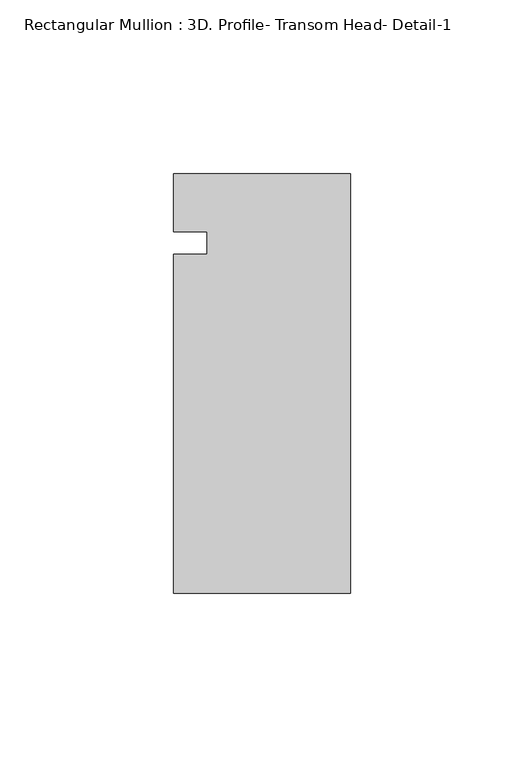
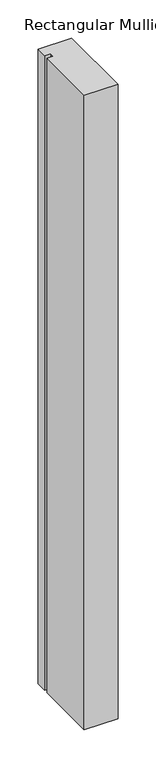
"""IFC4 building model written with IfcOpenShell, lengths in millimetres: member geometry, Rectangular Mullion : 3D. Profile- Transom Head- Detail-1."""

from ifc_helpers import new_model, si_unit, frame, origin, place, context, project, spatial, polyline, outline, extrude, source, transform, mapped, element, save


def rectangular_mullion_3d_profile_transom_head_detail_1_8cdf4948(model_context):
    return source(origin(), model_context, "Body", "SweptSolid", [
        extrude(outline(polyline([(-41.275, 54.4756698), (-41.275, 60.9159082), (-50.7746, 60.9159082), (-50.7746, 77.6071836), (0.0, 77.6071836), (0.0, -43.0428164), (-50.8, -43.0428164), (-50.8, 54.4756698), (-41.275, 54.4756698)])), frame((0.0, 0.0, -1011.8933864), z_axis=(0.0, 0.0, 1.0), x_axis=(1.0, 0.0, 0.0)), (0.0, 0.0, 1.0), 1011.8933864),
    ])


if __name__ == "__main__":
    model = new_model("IFC4")
    model_context = context("Model", 3, world=origin())
    ifc_project = project(units=[si_unit("LENGTHUNIT", "METRE", prefix="MILLI")], contexts=[model_context])
    site = spatial("IfcSite", under=ifc_project)
    building = spatial("IfcBuilding", under=site)
    placement = place(None, origin())
    rectangular_mullion_3d_profile_transom_head_detail_1_shape = rectangular_mullion_3d_profile_transom_head_detail_1_8cdf4948(model_context)
    element("IfcMember", 1, ObjectType="Rectangular Mullion : 3D. Profile- Transom Head- Detail-1", at=placement, inside=building, context=model_context, shape_type="MappedRepresentation", body=[
        mapped(rectangular_mullion_3d_profile_transom_head_detail_1_shape, transform((0.0, 0.0, 0.0), x_axis=(1.0, 0.0, 0.0), y_axis=(0.0, 1.0, 0.0), z_axis=(0.0, 0.0, 1.0))),
    ])
    save(model, "model.ifc")
